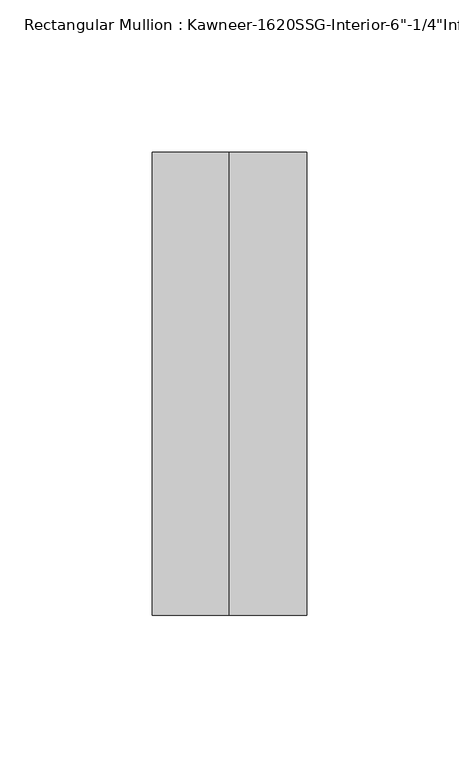
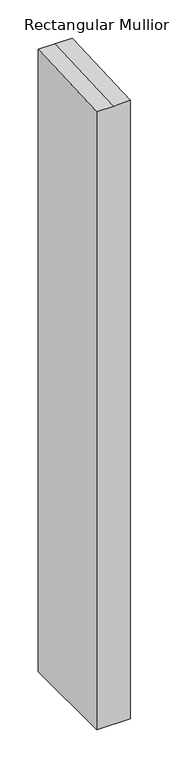
"""IFC4 building model written with IfcOpenShell, lengths in millimetres: member geometry."""

from ifc_helpers import new_model, si_unit, origin, place, context, project, spatial, faceted_brep, source, transform, mapped, element, save


def member_f90b5d93(model_context):
    return source(origin(), model_context, "Body", "Brep", [
        faceted_brep([(25.4, -123.825, -990.0367056), (-25.4, -123.825, -990.0367056), (-25.4, 28.575, -990.0367056), (25.4, 28.575, -990.0367056), (25.4, 28.575, 1.2476114), (25.4, -123.825, -5.4063163), (-25.4, 28.575, 1.2476114), (0.0, 28.575, 1.2476114), (-25.4, -123.825, -5.4063163), (0.0, -123.825, -5.4063163)], [[[0, 1, 2, 3]], [[4, 5, 0, 3]], [[6, 7, 4, 3, 2]], [[8, 6, 2, 1]], [[5, 9, 8, 1, 0]], [[5, 4, 7, 9]], [[7, 6, 8, 9]]]),
    ])


if __name__ == "__main__":
    model = new_model("IFC4")
    model_context = context("Model", 3, world=origin())
    ifc_project = project(units=[si_unit("LENGTHUNIT", "METRE", prefix="MILLI")], contexts=[model_context])
    site = spatial("IfcSite", under=ifc_project)
    building = spatial("IfcBuilding", under=site)
    placement = place(None, origin())
    member_shape = member_f90b5d93(model_context)
    element("IfcMember", 1, ObjectType="Rectangular Mullion : Kawneer-1620SSG-Interior-6\"-1/4\"Infill", at=placement, inside=building, context=model_context, shape_type="MappedRepresentation", body=[
        mapped(member_shape, transform((0.0, 0.0, 0.0), x_axis=(1.0, 0.0, 0.0), y_axis=(0.0, 1.0, 0.0), z_axis=(0.0, 0.0, 1.0))),
    ])
    save(model, "model.ifc")
